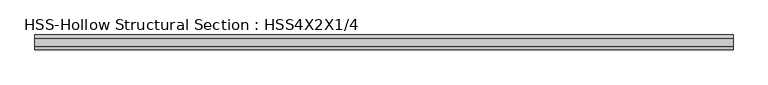
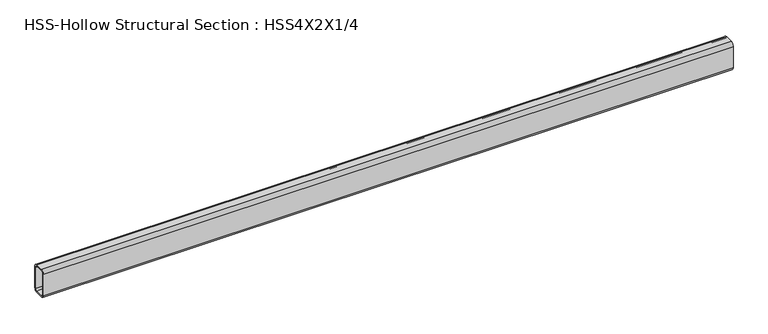
"""IFC4 building model written with IfcOpenShell, lengths in millimetres: beam geometry, HSS-Hollow Structural Section : HSS4X2X1/4."""

from ifc_helpers import new_model, si_unit, point, frame, frame_2d, origin, place, context, project, spatial, polyline, circle_curve, trimmed, segment, composite_curve, outline, extrude, source, transform, mapped, element, save


def hss_hollow_structural_section_hss4x2x1_4_0c2dd553(model_context):
    return source(origin(), model_context, "Body", "SweptSolid", [
        extrude(outline(composite_curve([segment(polyline([(25.4, 38.9636), (25.4, -38.9636)]), True, "CONTINUOUS"), segment(trimmed(circle_curve(frame_2d((13.5636, -38.9636)), 11.8364), [point((25.4, -38.9636))], [point((13.5636, -50.8))], False, "CARTESIAN"), True, "CONTINUOUS"), segment(polyline([(13.5636, -50.8), (-13.5636, -50.8)]), True, "CONTINUOUS"), segment(trimmed(circle_curve(frame_2d((-13.5636, -38.9636)), 11.8364), [point((-13.5636, -50.8))], [point((-25.4, -38.9636))], False, "CARTESIAN"), True, "CONTINUOUS"), segment(polyline([(-25.4, -38.9636), (-25.4, 38.9636)]), True, "CONTINUOUS"), segment(trimmed(circle_curve(frame_2d((-13.5636, 38.9636)), 11.8364), [point((-25.4, 38.9636))], [point((-13.5636, 50.8))], False, "CARTESIAN"), True, "CONTINUOUS"), segment(polyline([(-13.5636, 50.8), (13.5636, 50.8)]), True, "CONTINUOUS"), segment(trimmed(circle_curve(frame_2d((13.5636, 38.9636)), 11.8364), [point((13.5636, 50.8))], [point((25.4, 38.9636))], False, "CARTESIAN"), True, "CONTINUOUS")], self_intersect=False), holes=[composite_curve([segment(trimmed(circle_curve(frame_2d((-13.5636, 38.9636)), 5.9182), [point((-13.5636, 44.8818))], [point((-19.4818, 38.9636))], True, "CARTESIAN"), True, "CONTINUOUS"), segment(polyline([(-19.4818, 38.9636), (-19.4818, -38.9636)]), True, "CONTINUOUS"), segment(trimmed(circle_curve(frame_2d((-13.5636, -38.9636)), 5.9182), [point((-19.4818, -38.9636))], [point((-13.5636, -44.8818))], True, "CARTESIAN"), True, "CONTINUOUS"), segment(polyline([(-13.5636, -44.8818), (13.5636, -44.8818)]), True, "CONTINUOUS"), segment(trimmed(circle_curve(frame_2d((13.5636, -38.9636)), 5.9182), [point((13.5636, -44.8818))], [point((19.4818, -38.9636))], True, "CARTESIAN"), True, "CONTINUOUS"), segment(polyline([(19.4818, -38.9636), (19.4818, 38.9636)]), True, "CONTINUOUS"), segment(trimmed(circle_curve(frame_2d((13.5636, 38.9636)), 5.9182), [point((19.4818, 38.9636))], [point((13.5636, 44.8818))], True, "CARTESIAN"), True, "CONTINUOUS"), segment(polyline([(13.5636, 44.8818), (-13.5636, 44.8818)]), True, "CONTINUOUS")], self_intersect=False)]), frame((-1198.753, 0.0, 0.0), z_axis=(1.0, 0.0, 0.0), x_axis=(0.0, 1.0, 0.0)), (0.0, 0.0, 1.0), 2397.506),
    ])


if __name__ == "__main__":
    model = new_model("IFC4")
    model_context = context("Model", 3, world=origin())
    ifc_project = project(units=[si_unit("LENGTHUNIT", "METRE", prefix="MILLI")], contexts=[model_context])
    site = spatial("IfcSite", under=ifc_project)
    building = spatial("IfcBuilding", under=site)
    placement = place(None, origin())
    hss_hollow_structural_section_hss4x2x1_4_shape = hss_hollow_structural_section_hss4x2x1_4_0c2dd553(model_context)
    element("IfcBeam", 1, ObjectType="HSS-Hollow Structural Section : HSS4X2X1/4", at=placement, inside=building, context=model_context, shape_type="MappedRepresentation", body=[
        mapped(hss_hollow_structural_section_hss4x2x1_4_shape, transform((0.0, 0.0, 0.0), x_axis=(1.0, 0.0, 0.0), y_axis=(0.0, 1.0, 0.0), z_axis=(0.0, 0.0, 1.0))),
    ])
    save(model, "model.ifc")
